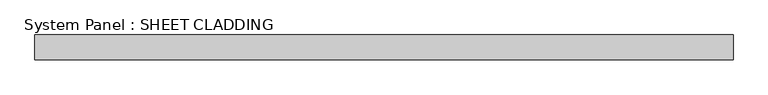
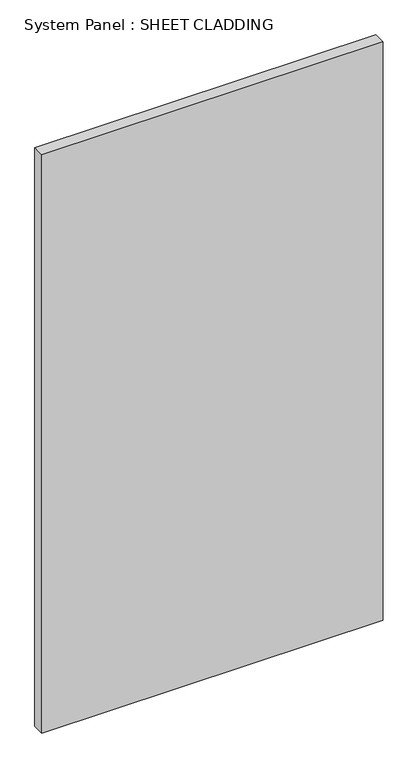
"""IFC4 building model written with IfcOpenShell, lengths in millimetres: plate geometry, System Panel : SHEET CLADDING."""

from ifc_helpers import new_model, si_unit, origin, origin_with_axes, place, context, project, spatial, polyline, outline, extrude, source, transform, mapped, element, save


def system_panel_sheet_cladding_85d3aa54(model_context):
    return source(origin(), model_context, "Body", "SweptSolid", [
        extrude(outline(polyline([(846.6012095, -10.5), (-846.6012095, -10.5), (-846.6012095, 49.5), (846.6012095, 49.5), (846.6012095, -10.5)])), origin_with_axes(), (0.0, 0.0, 1.0), 3031.35),
    ])


if __name__ == "__main__":
    model = new_model("IFC4")
    model_context = context("Model", 3, world=origin())
    ifc_project = project(units=[si_unit("LENGTHUNIT", "METRE", prefix="MILLI")], contexts=[model_context])
    site = spatial("IfcSite", under=ifc_project)
    building = spatial("IfcBuilding", under=site)
    placement = place(None, origin())
    system_panel_sheet_cladding_shape = system_panel_sheet_cladding_85d3aa54(model_context)
    element("IfcPlate", 1, ObjectType="System Panel : SHEET CLADDING", at=placement, inside=building, context=model_context, shape_type="MappedRepresentation", body=[
        mapped(system_panel_sheet_cladding_shape, transform((0.0, 0.0, 0.0), x_axis=(1.0, 0.0, 0.0), y_axis=(0.0, 1.0, 0.0), z_axis=(0.0, 0.0, 1.0))),
    ])
    save(model, "model.ifc")
